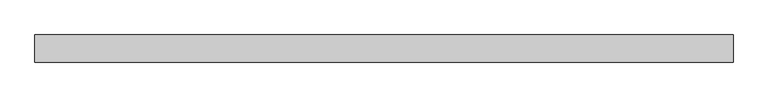
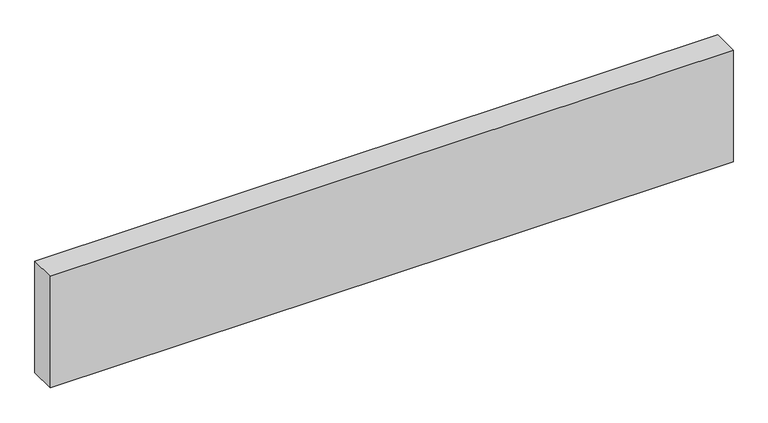
"""IFC4 building model written with IfcOpenShell, lengths in millimetres: beam geometry."""

from ifc_helpers import new_model, si_unit, frame, origin, place, context, project, spatial, polyline, outline, extrude, source, transform, mapped, element, save


def beam_c0f18fc5(model_context):
    return source(origin(), model_context, "Body", "SweptSolid", [
        extrude(outline(polyline([(-578.4, 22.5), (578.4, 22.5), (578.4, -22.5), (-578.4, -22.5), (-578.4, 22.5)])), frame((0.0, 0.0, -100.0), z_axis=(0.0, 0.0, 1.0), x_axis=(1.0, 0.0, 0.0)), (0.0, 0.0, 1.0), 200.0),
    ])


if __name__ == "__main__":
    model = new_model("IFC4")
    model_context = context("Model", 3, world=origin())
    ifc_project = project(units=[si_unit("LENGTHUNIT", "METRE", prefix="MILLI")], contexts=[model_context])
    site = spatial("IfcSite", under=ifc_project)
    building = spatial("IfcBuilding", under=site)
    placement = place(None, origin())
    beam_shape = beam_c0f18fc5(model_context)
    element("IfcBeam", 1, at=placement, inside=building, context=model_context, shape_type="MappedRepresentation", body=[
        mapped(beam_shape, transform((0.0, 0.0, 0.0), x_axis=(1.0, 0.0, 0.0), y_axis=(0.0, 1.0, 0.0), z_axis=(0.0, 0.0, 1.0))),
    ])
    save(model, "model.ifc")
